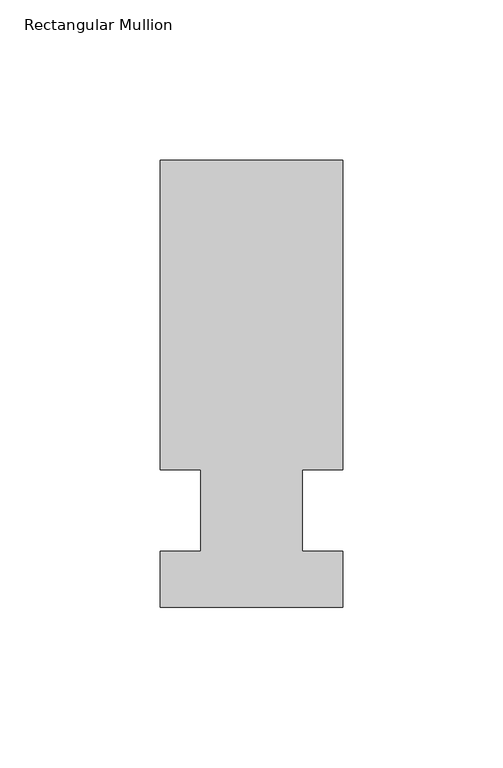
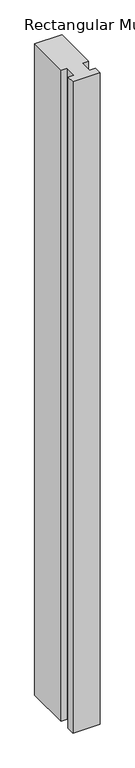
"""IFC4 building model written with IfcOpenShell, lengths in millimetres: member geometry, Rectangular Mullion."""

from ifc_helpers import new_model, si_unit, frame, origin, place, context, project, spatial, polyline, outline, extrude, source, transform, mapped, element, save


def rectangular_mullion_659de3a3(model_context):
    return source(origin(), model_context, "Body", "SweptSolid", [
        extrude(outline(polyline([(32.9094027, 109.5375), (32.9094027, 12.7), (20.2076322, 12.7), (20.2076322, -12.7), (32.9094027, -12.7), (32.9094027, -30.1625), (-24.2405973, -30.1625), (-24.2405973, -12.7), (-11.5405973, -12.7), (-11.5405973, 12.7), (-24.2405973, 12.7), (-24.2405973, 109.5375), (32.9094027, 109.5375)])), frame((0.0, 0.0, -1449.9166667), z_axis=(0.0, 0.0, 1.0), x_axis=(1.0, 0.0, 0.0)), (0.0, 0.0, 1.0), 1449.9166667),
    ])


if __name__ == "__main__":
    model = new_model("IFC4")
    model_context = context("Model", 3, world=origin())
    ifc_project = project(units=[si_unit("LENGTHUNIT", "METRE", prefix="MILLI")], contexts=[model_context])
    site = spatial("IfcSite", under=ifc_project)
    building = spatial("IfcBuilding", under=site)
    placement = place(None, origin())
    rectangular_mullion_shape = rectangular_mullion_659de3a3(model_context)
    element("IfcMember", 1, ObjectType="Rectangular Mullion", at=placement, inside=building, context=model_context, shape_type="MappedRepresentation", body=[
        mapped(rectangular_mullion_shape, transform((0.0, 0.0, 0.0), x_axis=(1.0, 0.0, 0.0), y_axis=(0.0, 1.0, 0.0), z_axis=(0.0, 0.0, 1.0))),
    ])
    save(model, "model.ifc")
